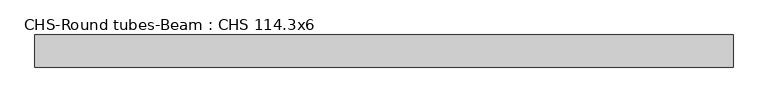
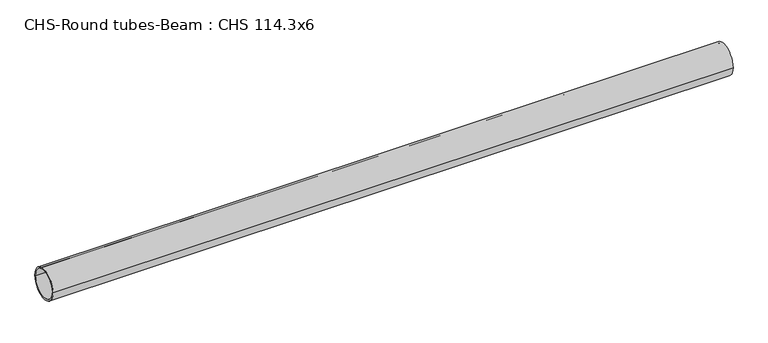
"""IFC4 building model written with IfcOpenShell, lengths in millimetres: beam geometry, CHS-Round tubes-Beam : CHS 114.3x6."""

from ifc_helpers import new_model, si_unit, point, frame, origin, origin_2d, place, context, project, spatial, circle_curve, trimmed, segment, composite_curve, outline, extrude, source, transform, mapped, element, save


def chs_round_tubes_beam_chs_114_3x6_18887d43(model_context):
    return source(origin(), model_context, "Body", "SweptSolid", [
        extrude(outline(composite_curve([segment(trimmed(circle_curve(origin_2d(), 57.15), [point((57.15, 0.0))], [point((-57.15, 0.0))], False, "CARTESIAN"), True, "CONTINUOUS"), segment(trimmed(circle_curve(origin_2d(), 57.15), [point((-57.15, 0.0))], [point((57.15, 0.0))], False, "CARTESIAN"), True, "CONTINUOUS")], self_intersect=False), holes=[composite_curve([segment(trimmed(circle_curve(origin_2d(), 51.15), [point((51.15, 0.0))], [point((-51.15, 0.0))], True, "CARTESIAN"), True, "CONTINUOUS"), segment(trimmed(circle_curve(origin_2d(), 51.15), [point((-51.15, 0.0))], [point((51.15, 0.0))], True, "CARTESIAN"), True, "CONTINUOUS")], self_intersect=False)]), frame((-1089.5486863, 0.0, 0.0), z_axis=(1.0, 0.0, 0.0), x_axis=(0.0, 1.0, 0.0)), (0.0, 0.0, 1.0), 2485.1150595),
    ])


if __name__ == "__main__":
    model = new_model("IFC4")
    model_context = context("Model", 3, world=origin())
    ifc_project = project(units=[si_unit("LENGTHUNIT", "METRE", prefix="MILLI")], contexts=[model_context])
    site = spatial("IfcSite", under=ifc_project)
    building = spatial("IfcBuilding", under=site)
    placement = place(None, origin())
    chs_round_tubes_beam_chs_114_3x6_shape = chs_round_tubes_beam_chs_114_3x6_18887d43(model_context)
    element("IfcBeam", 1, ObjectType="CHS-Round tubes-Beam : CHS 114.3x6", at=placement, inside=building, context=model_context, shape_type="MappedRepresentation", body=[
        mapped(chs_round_tubes_beam_chs_114_3x6_shape, transform((0.0, 0.0, 0.0), x_axis=(1.0, 0.0, 0.0), y_axis=(0.0, 1.0, 0.0), z_axis=(0.0, 0.0, 1.0))),
    ])
    save(model, "model.ifc")
